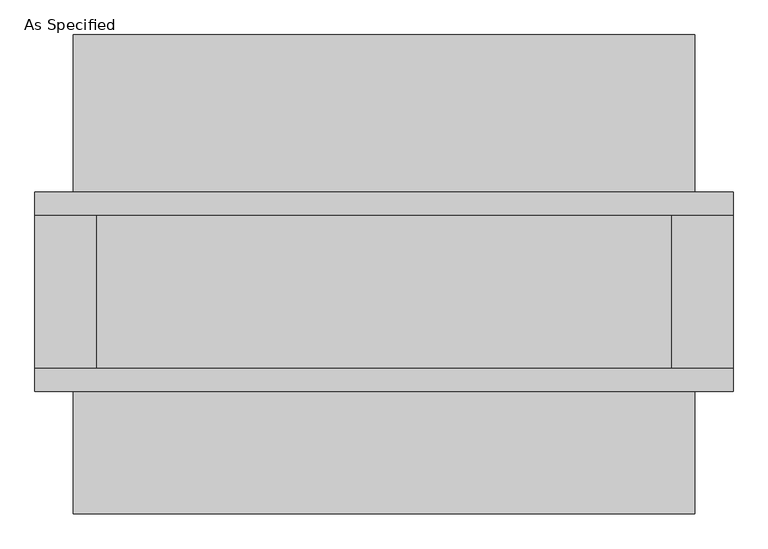
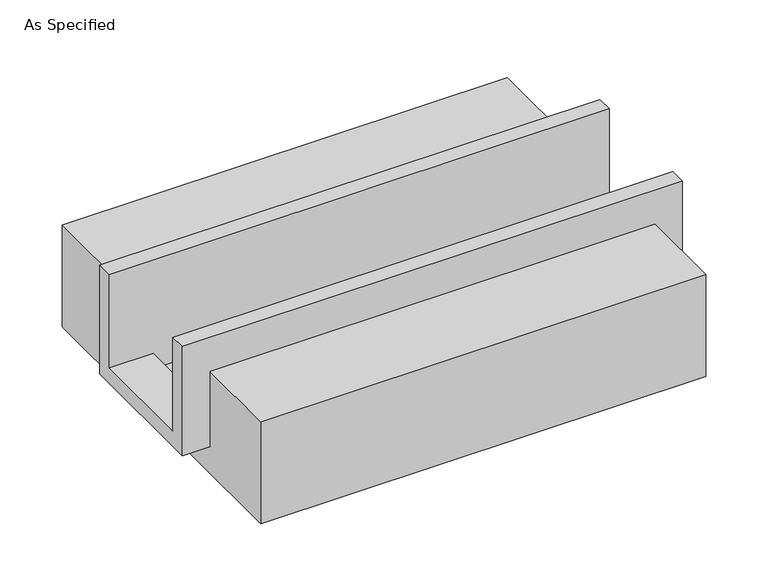
"""IFC4 building model written with IfcOpenShell, lengths in millimetres: proxy geometry, As Specified."""

from ifc_helpers import new_model, si_unit, frame, origin, place, context, project, spatial, polyline, outline, extrude, faceted_brep, source, transform, mapped, element, save


def as_specified_a1265635(model_context):
    return source(origin(), model_context, "Body", "SolidModel", [
        faceted_brep([(-1155.7, 196.85, 139.7), (-1155.7, 273.05, 139.7), (-1155.7, 273.05, -393.7), (-1155.7, -387.35, -393.7), (-1155.7, -387.35, 139.7), (-1155.7, -311.15, 139.7), (-1155.7, -311.15, -317.5), (-1155.7, 196.85, -317.5), (1155.7, 196.85, 139.7), (1155.7, 196.85, -317.5), (1155.7, -311.15, -317.5), (1155.7, -311.15, 139.7), (1155.7, -387.35, 139.7), (1155.7, -387.35, -393.7), (1155.7, 273.05, -393.7), (1155.7, 273.05, 139.7), (952.5, -311.15, -393.7), (952.5, 196.85, -393.7), (-952.5, 196.85, -393.7), (-952.5, -311.15, -393.7), (952.5, -311.15, -317.5), (-952.5, -311.15, -317.5), (-952.5, 196.85, -317.5), (952.5, 196.85, -317.5)], [[[0, 1, 2, 3, 4, 5, 6, 7]], [[8, 9, 10, 11, 12, 13, 14, 15]], [[1, 0, 8, 15]], [[2, 1, 15, 14]], [[3, 2, 14, 13], [16, 17, 18, 19]], [[4, 3, 13, 12]], [[5, 4, 12, 11]], [[6, 5, 11, 10, 20, 16, 19, 21]], [[7, 6, 21, 22]], [[10, 9, 23, 20]], [[0, 7, 22, 18, 17, 23, 9, 8]], [[16, 20, 23, 17]], [[21, 19, 18, 22]]]),
        extrude(outline(polyline([(793.75, -25.4), (793.75, -523.9742188), (-793.75, -523.9742188), (-793.75, -25.4), (-387.35, -25.4), (-387.35, -393.7), (273.05, -393.7), (273.05, -25.4), (793.75, -25.4)])), frame((-1028.7, 0.0, 0.0), z_axis=(1.0, 0.0, 0.0), x_axis=(0.0, 1.0, 0.0)), (0.0, 0.0, 1.0), 2057.4),
    ])


if __name__ == "__main__":
    model = new_model("IFC4")
    model_context = context("Model", 3, world=origin())
    ifc_project = project(units=[si_unit("LENGTHUNIT", "METRE", prefix="MILLI")], contexts=[model_context])
    site = spatial("IfcSite", under=ifc_project)
    building = spatial("IfcBuilding", under=site)
    placement = place(None, origin())
    as_specified_shape = as_specified_a1265635(model_context)
    element("IfcBuildingElementProxy", 1, Name="As Specified", ObjectType="As Specified", at=placement, inside=building, context=model_context, shape_type="MappedRepresentation", body=[
        mapped(as_specified_shape, transform((0.0, 0.0, 0.0), x_axis=(1.0, 0.0, 0.0), y_axis=(0.0, 1.0, 0.0), z_axis=(0.0, 0.0, 1.0))),
    ])
    save(model, "model.ifc")
